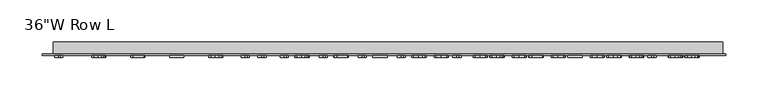
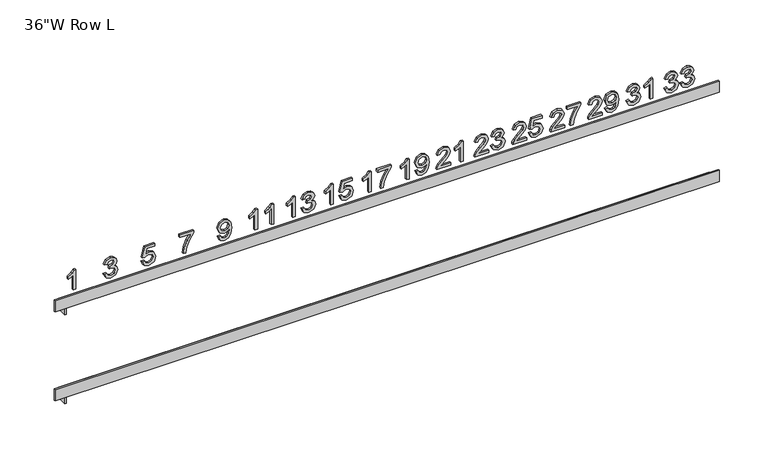
"""IFC4 building model written with IfcOpenShell, lengths in millimetres: furniture geometry."""

from ifc_helpers import new_model, si_unit, frame, origin, place, context, project, spatial, polyline, outline, extrude, faceted_brep, source, transform, mapped, element, save


def furniture_17d9b7be(model_context):
    return source(origin(), model_context, "Body", "SolidModel", [
        extrude(outline(polyline([(1616.7871417, 354.4129251), (1611.6104534, 356.9483187), (1609.610794, 362.5423814), (1611.9530742, 368.7157847), (1617.6592673, 371.1577363), (1621.8080932, 369.9367605), (1623.9884072, 366.4607171), (1626.100197, 369.0770938), (1629.0405061, 369.9616783), (1632.2580266, 369.0303728), (1634.6501425, 366.3392424), (1635.5253828, 362.4925457), (1633.7499843, 357.4217584), (1628.7477211, 354.8116111), (1628.3490351, 358.0010989), (1631.33918, 359.5646955), (1632.3358949, 362.6046761), (1631.3485242, 365.6072799), (1628.8536221, 366.7721905), (1626.0379023, 365.1649876), (1625.1595473, 361.0348501), (1621.9700594, 360.6797704), (1622.3189097, 362.9161495), (1621.013836, 366.5417002), (1617.7153325, 367.9682484), (1614.2143712, 366.5292412), (1612.8002819, 362.6545119), (1613.8281442, 359.3622378), (1617.1858277, 357.6024129), (1616.7871417, 354.4129251)])), frame((0.0, -18.25625, 0.0), z_axis=(0.0, 1.0, 0.0), x_axis=(0.0, 0.0, 1.0)), (0.0, 0.0, 1.0), 2.38125),
        extrude(outline(polyline([(1616.7871417, 373.9485382), (1611.6104534, 376.4839318), (1609.610794, 382.0779945), (1611.9530742, 388.2513977), (1617.6592673, 390.6933494), (1621.8080932, 389.4723735), (1623.9884072, 385.9963301), (1626.100197, 388.6127069), (1629.0405061, 389.4972914), (1632.2580266, 388.5659859), (1634.6501425, 385.8748555), (1635.5253828, 382.0281587), (1633.7499843, 376.9573714), (1628.7477211, 374.3472241), (1628.3490351, 377.536712), (1631.33918, 379.1003086), (1632.3358949, 382.1402892), (1631.3485242, 385.142893), (1628.8536221, 386.3078036), (1626.0379023, 384.7006007), (1625.1595473, 380.5704631), (1621.9700594, 380.2153834), (1622.3189097, 382.4517626), (1621.013836, 386.0773132), (1617.7153325, 387.5038615), (1614.2143712, 386.0648543), (1612.8002819, 382.1901249), (1613.8281442, 378.8978508), (1617.1858277, 377.138026), (1616.7871417, 373.9485382)])), frame((0.0, -18.25625, 0.0), z_axis=(0.0, 1.0, 0.0), x_axis=(0.0, 0.0, 1.0)), (0.0, 0.0, 1.0), 2.38125),
        extrude(outline(polyline([(1616.7871417, 308.3754251), (1611.6104534, 310.9108187), (1609.610794, 316.5048814), (1611.9530742, 322.6782847), (1617.6592673, 325.1202363), (1621.8080932, 323.8992605), (1623.9884072, 320.4232171), (1626.100197, 323.0395938), (1629.0405061, 323.9241783), (1632.2580266, 322.9928728), (1634.6501425, 320.3017424), (1635.5253828, 316.4550457), (1633.7499843, 311.3842584), (1628.7477211, 308.7741111), (1628.3490351, 311.9635989), (1631.33918, 313.5271955), (1632.3358949, 316.5671761), (1631.3485242, 319.5697799), (1628.8536221, 320.7346905), (1626.0379023, 319.1274876), (1625.1595473, 314.9973501), (1621.9700594, 314.6422704), (1622.3189097, 316.8786495), (1621.013836, 320.5042002), (1617.7153325, 321.9307484), (1614.2143712, 320.4917412), (1612.8002819, 316.6170119), (1613.8281442, 313.3247378), (1617.1858277, 311.5649129), (1616.7871417, 308.3754251)])), frame((0.0, -18.25625, 0.0), z_axis=(0.0, 1.0, 0.0), x_axis=(0.0, 0.0, 1.0)), (0.0, 0.0, 1.0), 2.38125),
        extrude(outline(polyline([(1610.00948, 339.8716176), (1635.5253828, 339.8716176), (1635.5253828, 337.815893), (1632.1303225, 334.9783701), (1629.1464071, 330.303154), (1626.1313444, 330.303154), (1627.7416619, 333.6608375), (1629.8939433, 336.6821297), (1610.00948, 336.6821297), (1610.00948, 339.8716176)])), frame((0.0, -18.25625, 0.0), z_axis=(0.0, 1.0, 0.0), x_axis=(0.0, 0.0, 1.0)), (0.0, 0.0, 1.0), 2.38125),
        extrude(outline(polyline([(1613.1989678, 278.6840503), (1613.1989678, 266.1565893), (1614.8217444, 267.5955965), (1617.8897576, 271.2647534), (1622.2597297, 275.8340685), (1625.3869229, 277.7184827), (1628.4113298, 278.2853643), (1633.4821171, 276.1829187), (1635.5253828, 270.4736109), (1633.6876896, 264.7829915), (1628.3490351, 262.3379251), (1627.9503491, 265.5274129), (1631.1709843, 266.8698634), (1632.3358949, 270.4050867), (1631.1429517, 273.7970323), (1628.2182163, 275.0958765), (1624.6051246, 273.719164), (1619.291388, 268.2123138), (1615.5941985, 264.2192246), (1612.2084824, 262.2818599), (1610.00948, 261.9392391), (1610.00948, 278.6840503), (1613.1989678, 278.6840503)])), frame((0.0, -18.25625, 0.0), z_axis=(0.0, 1.0, 0.0), x_axis=(0.0, 0.0, 1.0)), (0.0, 0.0, 1.0), 2.38125),
        extrude(outline(polyline([(1616.3884557, 282.2722241), (1611.3893073, 284.5584391), (1609.610794, 289.4610307), (1611.1183254, 294.3854255), (1615.5069859, 297.5531102), (1623.2533299, 298.6183494), (1630.3923008, 297.5499955), (1634.1922765, 294.4228023), (1635.5253828, 289.8784051), (1633.1893321, 284.1566383), (1627.0221583, 281.8735382), (1621.0480981, 284.0507374), (1618.7805716, 289.3800476), (1619.7087624, 292.8778942), (1621.5028493, 295.4475499), (1617.802545, 294.9865692), (1615.0304316, 293.9431333), (1613.407655, 292.1926526), (1612.8002819, 289.610538), (1613.7440463, 286.8944897), (1616.7871417, 285.461712), (1616.3884557, 282.2722241)]), holes=[polyline([(1627.096912, 295.4288615), (1623.3311983, 293.9867396), (1621.9700594, 290.3082384), (1623.3311983, 286.4771153), (1626.8664216, 285.063026), (1630.8127899, 286.5580984), (1632.3358949, 290.395451), (1630.9218056, 294.052149), (1627.096912, 295.4288615)])]), frame((0.0, -18.25625, 0.0), z_axis=(0.0, 1.0, 0.0), x_axis=(0.0, 0.0, 1.0)), (0.0, 0.0, 1.0), 2.38125),
        extrude(outline(polyline([(1613.1989678, 232.6465503), (1613.1989678, 220.1190893), (1614.8217444, 221.5580965), (1617.8897576, 225.2272534), (1622.2597297, 229.7965685), (1625.3869229, 231.6809827), (1628.4113298, 232.2478643), (1633.4821171, 230.1454187), (1635.5253828, 224.4361109), (1633.6876896, 218.7454915), (1628.3490351, 216.3004251), (1627.9503491, 219.4899129), (1631.1709843, 220.8323634), (1632.3358949, 224.3675867), (1631.1429517, 227.7595323), (1628.2182163, 229.0583765), (1624.6051246, 227.681664), (1619.291388, 222.1748138), (1615.5941985, 218.1817246), (1612.2084824, 216.2443599), (1610.00948, 215.9017391), (1610.00948, 232.6465503), (1613.1989678, 232.6465503)])), frame((0.0, -18.25625, 0.0), z_axis=(0.0, 1.0, 0.0), x_axis=(0.0, 0.0, 1.0)), (0.0, 0.0, 1.0), 2.38125),
        extrude(outline(polyline([(1631.9372089, 235.8360382), (1631.9372089, 249.3913615), (1625.3370871, 244.5697529), (1617.2045161, 241.0905948), (1610.00948, 239.822898), (1610.00948, 243.0123858), (1616.9428784, 244.1959848), (1625.6859374, 247.8308797), (1632.5476969, 252.5808494), (1635.1266968, 252.5808494), (1635.1266968, 235.8360382), (1631.9372089, 235.8360382)])), frame((0.0, -18.25625, 0.0), z_axis=(0.0, 1.0, 0.0), x_axis=(0.0, 0.0, 1.0)), (0.0, 0.0, 1.0), 2.38125),
        extrude(outline(polyline([(1613.1989678, 186.6090503), (1613.1989678, 174.0815893), (1614.8217444, 175.5205965), (1617.8897576, 179.1897534), (1622.2597297, 183.7590685), (1625.3869229, 185.6434827), (1628.4113298, 186.2103643), (1633.4821171, 184.1079187), (1635.5253828, 178.3986109), (1633.6876896, 172.7079915), (1628.3490351, 170.2629251), (1627.9503491, 173.4524129), (1631.1709843, 174.7948634), (1632.3358949, 178.3300867), (1631.1429517, 181.7220323), (1628.2182163, 183.0208765), (1624.6051246, 181.644164), (1619.291388, 176.1373138), (1615.5941985, 172.1442246), (1612.2084824, 170.2068599), (1610.00948, 169.8642391), (1610.00948, 186.6090503), (1613.1989678, 186.6090503)])), frame((0.0, -18.25625, 0.0), z_axis=(0.0, 1.0, 0.0), x_axis=(0.0, 0.0, 1.0)), (0.0, 0.0, 1.0), 2.38125),
        extrude(outline(polyline([(1616.7871417, 189.7985382), (1611.5761913, 192.2872108), (1609.610794, 197.9155355), (1612.669463, 204.54369), (1618.5874581, 206.5433494), (1624.4680763, 204.3225438), (1626.7542912, 198.8686442), (1624.9103685, 194.2027723), (1631.9372089, 195.5670259), (1631.9372089, 205.3472914), (1635.1266968, 205.3472914), (1635.1266968, 192.988026), (1621.9700594, 190.1972241), (1621.5713734, 193.386712), (1623.0103807, 195.1776842), (1623.5648034, 197.9778302), (1622.1756319, 202.0176405), (1618.3881151, 203.3538615), (1614.3296164, 201.9273132), (1612.8002819, 197.9279945), (1613.899783, 194.5952289), (1617.1858277, 192.988026), (1616.7871417, 189.7985382)])), frame((0.0, -18.25625, 0.0), z_axis=(0.0, 1.0, 0.0), x_axis=(0.0, 0.0, 1.0)), (0.0, 0.0, 1.0), 2.38125),
        extrude(outline(polyline([(1613.1989678, 140.5715503), (1613.1989678, 128.0440893), (1614.8217444, 129.4830965), (1617.8897576, 133.1522534), (1622.2597297, 137.7215685), (1625.3869229, 139.6059827), (1628.4113298, 140.1728643), (1633.4821171, 138.0704187), (1635.5253828, 132.3611109), (1633.6876896, 126.6704915), (1628.3490351, 124.2254251), (1627.9503491, 127.4149129), (1631.1709843, 128.7573634), (1632.3358949, 132.2925867), (1631.1429517, 135.6845323), (1628.2182163, 136.9833765), (1624.6051246, 135.606664), (1619.291388, 130.0998138), (1615.5941985, 126.1067246), (1612.2084824, 124.1693599), (1610.00948, 123.8267391), (1610.00948, 140.5715503), (1613.1989678, 140.5715503)])), frame((0.0, -18.25625, 0.0), z_axis=(0.0, 1.0, 0.0), x_axis=(0.0, 0.0, 1.0)), (0.0, 0.0, 1.0), 2.38125),
        extrude(outline(polyline([(1616.7871417, 143.7610382), (1611.6104534, 146.2964318), (1609.610794, 151.8904945), (1611.9530742, 158.0638977), (1617.6592673, 160.5058494), (1621.8080932, 159.2848735), (1623.9884072, 155.8088301), (1626.100197, 158.4252069), (1629.0405061, 159.3097914), (1632.2580266, 158.3784859), (1634.6501425, 155.6873555), (1635.5253828, 151.8406587), (1633.7499843, 146.7698714), (1628.7477211, 144.1597241), (1628.3490351, 147.349212), (1631.33918, 148.9128086), (1632.3358949, 151.9527892), (1631.3485242, 154.955393), (1628.8536221, 156.1203036), (1626.0379023, 154.5131007), (1625.1595473, 150.3829631), (1621.9700594, 150.0278834), (1622.3189097, 152.2642626), (1621.013836, 155.8898132), (1617.7153325, 157.3163615), (1614.2143712, 155.8773543), (1612.8002819, 152.0026249), (1613.8281442, 148.7103508), (1617.1858277, 146.950526), (1616.7871417, 143.7610382)])), frame((0.0, -18.25625, 0.0), z_axis=(0.0, 1.0, 0.0), x_axis=(0.0, 0.0, 1.0)), (0.0, 0.0, 1.0), 2.38125),
        extrude(outline(polyline([(1613.1989678, 94.5340503), (1613.1989678, 82.0065893), (1614.8217444, 83.4455965), (1617.8897576, 87.1147534), (1622.2597297, 91.6840685), (1625.3869229, 93.5684827), (1628.4113298, 94.1353643), (1633.4821171, 92.0329187), (1635.5253828, 86.3236109), (1633.6876896, 80.6329915), (1628.3490351, 78.1879251), (1627.9503491, 81.3774129), (1631.1709843, 82.7198634), (1632.3358949, 86.2550867), (1631.1429517, 89.6470323), (1628.2182163, 90.9458765), (1624.6051246, 89.569164), (1619.291388, 84.0623138), (1615.5941985, 80.0692246), (1612.2084824, 78.1318599), (1610.00948, 77.7892391), (1610.00948, 94.5340503), (1613.1989678, 94.5340503)])), frame((0.0, -18.25625, 0.0), z_axis=(0.0, 1.0, 0.0), x_axis=(0.0, 0.0, 1.0)), (0.0, 0.0, 1.0), 2.38125),
        extrude(outline(polyline([(1610.00948, 109.6841176), (1635.5253828, 109.6841176), (1635.5253828, 107.628393), (1632.1303225, 104.7908701), (1629.1464071, 100.115654), (1626.1313444, 100.115654), (1627.7416619, 103.4733375), (1629.8939433, 106.4946297), (1610.00948, 106.4946297), (1610.00948, 109.6841176)])), frame((0.0, -18.25625, 0.0), z_axis=(0.0, 1.0, 0.0), x_axis=(0.0, 0.0, 1.0)), (0.0, 0.0, 1.0), 2.38125),
        extrude(outline(polyline([(1610.00948, 44.1110045), (1635.5253828, 44.1110045), (1635.5253828, 42.0552799), (1632.1303225, 39.217757), (1629.1464071, 34.542541), (1626.1313444, 34.542541), (1627.7416619, 37.9002245), (1629.8939433, 40.9215167), (1610.00948, 40.9215167), (1610.00948, 44.1110045)])), frame((0.0, -18.25625, 0.0), z_axis=(0.0, 1.0, 0.0), x_axis=(0.0, 0.0, 1.0)), (0.0, 0.0, 1.0), 2.38125),
        extrude(outline(polyline([(1616.3884557, 52.0847241), (1611.3893073, 54.3709391), (1609.610794, 59.2735307), (1611.1183254, 64.1979255), (1615.5069859, 67.3656102), (1623.2533299, 68.4308494), (1630.3923008, 67.3624955), (1634.1922765, 64.2353023), (1635.5253828, 59.6909051), (1633.1893321, 53.9691383), (1627.0221583, 51.6860382), (1621.0480981, 53.8632374), (1618.7805716, 59.1925476), (1619.7087624, 62.6903942), (1621.5028493, 65.2600499), (1617.802545, 64.7990692), (1615.0304316, 63.7556333), (1613.407655, 62.0051526), (1612.8002819, 59.423038), (1613.7440463, 56.7069897), (1616.7871417, 55.274212), (1616.3884557, 52.0847241)]), holes=[polyline([(1627.096912, 65.2413615), (1623.3311983, 63.7992396), (1621.9700594, 60.1207384), (1623.3311983, 56.2896153), (1626.8664216, 54.875526), (1630.8127899, 56.3705984), (1632.3358949, 60.207951), (1630.9218056, 63.864649), (1627.096912, 65.2413615)])]), frame((0.0, -18.25625, 0.0), z_axis=(0.0, 1.0, 0.0), x_axis=(0.0, 0.0, 1.0)), (0.0, 0.0, 1.0), 2.38125),
        extrude(outline(polyline([(1610.00948, -1.9264955), (1635.5253828, -1.9264955), (1635.5253828, -3.9822201), (1632.1303225, -6.819743), (1629.1464071, -11.494959), (1626.1313444, -11.494959), (1627.7416619, -8.1372755), (1629.8939433, -5.1159833), (1610.00948, -5.1159833), (1610.00948, -1.9264955)])), frame((0.0, -18.25625, 0.0), z_axis=(0.0, 1.0, 0.0), x_axis=(0.0, 0.0, 1.0)), (0.0, 0.0, 1.0), 2.38125),
        extrude(outline(polyline([(1631.9372089, 5.6485382), (1631.9372089, 19.2038615), (1625.3370871, 14.3822529), (1617.2045161, 10.9030948), (1610.00948, 9.635398), (1610.00948, 12.8248858), (1616.9428784, 14.0084848), (1625.6859374, 17.6433797), (1632.5476969, 22.3933494), (1635.1266968, 22.3933494), (1635.1266968, 5.6485382), (1631.9372089, 5.6485382)])), frame((0.0, -18.25625, 0.0), z_axis=(0.0, 1.0, 0.0), x_axis=(0.0, 0.0, 1.0)), (0.0, 0.0, 1.0), 2.38125),
        extrude(outline(polyline([(1610.00948, -47.9639955), (1635.5253828, -47.9639955), (1635.5253828, -50.0197201), (1632.1303225, -52.857243), (1629.1464071, -57.532459), (1626.1313444, -57.532459), (1627.7416619, -54.1747755), (1629.8939433, -51.1534833), (1610.00948, -51.1534833), (1610.00948, -47.9639955)])), frame((0.0, -18.25625, 0.0), z_axis=(0.0, 1.0, 0.0), x_axis=(0.0, 0.0, 1.0)), (0.0, 0.0, 1.0), 2.38125),
        extrude(outline(polyline([(1616.7871417, -40.3889618), (1611.5761913, -37.9002892), (1609.610794, -32.2719645), (1612.669463, -25.64381), (1618.5874581, -23.6441506), (1624.4680763, -25.8649562), (1626.7542912, -31.3188558), (1624.9103685, -35.9847277), (1631.9372089, -34.6204741), (1631.9372089, -24.8402086), (1635.1266968, -24.8402086), (1635.1266968, -37.199474), (1621.9700594, -39.9902759), (1621.5713734, -36.800788), (1623.0103807, -35.0098158), (1623.5648034, -32.2096698), (1622.1756319, -28.1698595), (1618.3881151, -26.8336385), (1614.3296164, -28.2601868), (1612.8002819, -32.2595055), (1613.899783, -35.5922711), (1617.1858277, -37.199474), (1616.7871417, -40.3889618)])), frame((0.0, -18.25625, 0.0), z_axis=(0.0, 1.0, 0.0), x_axis=(0.0, 0.0, 1.0)), (0.0, 0.0, 1.0), 2.38125),
        extrude(outline(polyline([(1610.00948, -94.0014955), (1635.5253828, -94.0014955), (1635.5253828, -96.0572201), (1632.1303225, -98.894743), (1629.1464071, -103.569959), (1626.1313444, -103.569959), (1627.7416619, -100.2122755), (1629.8939433, -97.1909833), (1610.00948, -97.1909833), (1610.00948, -94.0014955)])), frame((0.0, -18.25625, 0.0), z_axis=(0.0, 1.0, 0.0), x_axis=(0.0, 0.0, 1.0)), (0.0, 0.0, 1.0), 2.38125),
        extrude(outline(polyline([(1616.7871417, -86.4264618), (1611.6104534, -83.8910682), (1609.610794, -78.2970055), (1611.9530742, -72.1236023), (1617.6592673, -69.6816506), (1621.8080932, -70.9026265), (1623.9884072, -74.3786699), (1626.100197, -71.7622931), (1629.0405061, -70.8777086), (1632.2580266, -71.8090141), (1634.6501425, -74.5001445), (1635.5253828, -78.3468413), (1633.7499843, -83.4176286), (1628.7477211, -86.0277759), (1628.3490351, -82.838288), (1631.33918, -81.2746914), (1632.3358949, -78.2347108), (1631.3485242, -75.232107), (1628.8536221, -74.0671964), (1626.0379023, -75.6743993), (1625.1595473, -79.8045369), (1621.9700594, -80.1596166), (1622.3189097, -77.9232374), (1621.013836, -74.2976868), (1617.7153325, -72.8711385), (1614.2143712, -74.3101457), (1612.8002819, -78.1848751), (1613.8281442, -81.4771492), (1617.1858277, -83.236974), (1616.7871417, -86.4264618)])), frame((0.0, -18.25625, 0.0), z_axis=(0.0, 1.0, 0.0), x_axis=(0.0, 0.0, 1.0)), (0.0, 0.0, 1.0), 2.38125),
        extrude(outline(polyline([(1610.00948, -140.0389955), (1635.5253828, -140.0389955), (1635.5253828, -142.0947201), (1632.1303225, -144.932243), (1629.1464071, -149.607459), (1626.1313444, -149.607459), (1627.7416619, -146.2497755), (1629.8939433, -143.2284833), (1610.00948, -143.2284833), (1610.00948, -140.0389955)])), frame((0.0, -18.25625, 0.0), z_axis=(0.0, 1.0, 0.0), x_axis=(0.0, 0.0, 1.0)), (0.0, 0.0, 1.0), 2.38125),
        extrude(outline(polyline([(1610.00948, -120.5033824), (1635.5253828, -120.5033824), (1635.5253828, -122.559107), (1632.1303225, -125.3966299), (1629.1464071, -130.071846), (1626.1313444, -130.071846), (1627.7416619, -126.7141625), (1629.8939433, -123.6928703), (1610.00948, -123.6928703), (1610.00948, -120.5033824)])), frame((0.0, -18.25625, 0.0), z_axis=(0.0, 1.0, 0.0), x_axis=(0.0, 0.0, 1.0)), (0.0, 0.0, 1.0), 2.38125),
        extrude(outline(polyline([(1616.3884557, -187.8705824), (1611.3893073, -185.5843675), (1609.610794, -180.6817758), (1611.1183254, -175.757381), (1615.5069859, -172.5896963), (1623.2533299, -171.5244572), (1630.3923008, -172.592811), (1634.1922765, -175.7200042), (1635.5253828, -180.2644014), (1633.1893321, -185.9861682), (1627.0221583, -188.2692684), (1621.0480981, -186.0920692), (1618.7805716, -180.7627589), (1619.7087624, -177.2649124), (1621.5028493, -174.6952566), (1617.802545, -175.1562373), (1615.0304316, -176.1996733), (1613.407655, -177.9501539), (1612.8002819, -180.5322686), (1613.7440463, -183.2483168), (1616.7871417, -184.6810946), (1616.3884557, -187.8705824)]), holes=[polyline([(1627.096912, -174.713945), (1623.3311983, -176.156067), (1621.9700594, -179.8345681), (1623.3311983, -183.6656912), (1626.8664216, -185.0797805), (1630.8127899, -183.5847081), (1632.3358949, -179.7473555), (1630.9218056, -176.0906576), (1627.096912, -174.713945)])]), frame((0.0, -18.25625, 0.0), z_axis=(0.0, 1.0, 0.0), x_axis=(0.0, 0.0, 1.0)), (0.0, 0.0, 1.0), 2.38125),
        extrude(outline(polyline([(1631.9372089, -234.3067684), (1631.9372089, -220.751445), (1625.3370871, -225.5730536), (1617.2045161, -229.0522117), (1610.00948, -230.3199086), (1610.00948, -227.1304207), (1616.9428784, -225.9468217), (1625.6859374, -222.3119269), (1632.5476969, -217.5619572), (1635.1266968, -217.5619572), (1635.1266968, -234.3067684), (1631.9372089, -234.3067684)])), frame((0.0, -18.25625, 0.0), z_axis=(0.0, 1.0, 0.0), x_axis=(0.0, 0.0, 1.0)), (0.0, 0.0, 1.0), 2.38125),
        extrude(outline(polyline([(1616.7871417, -280.3442684), (1611.5761913, -277.8555957), (1609.610794, -272.227271), (1612.669463, -265.5991166), (1618.5874581, -263.5994572), (1624.4680763, -265.8202627), (1626.7542912, -271.2741623), (1624.9103685, -275.9400342), (1631.9372089, -274.5757806), (1631.9372089, -264.7955151), (1635.1266968, -264.7955151), (1635.1266968, -277.1547805), (1621.9700594, -279.9455824), (1621.5713734, -276.7560946), (1623.0103807, -274.9651224), (1623.5648034, -272.1649763), (1622.1756319, -268.125166), (1618.3881151, -266.788945), (1614.3296164, -268.2154933), (1612.8002819, -272.214812), (1613.899783, -275.5475777), (1617.1858277, -277.1547805), (1616.7871417, -280.3442684)])), frame((0.0, -18.25625, 0.0), z_axis=(0.0, 1.0, 0.0), x_axis=(0.0, 0.0, 1.0)), (0.0, 0.0, 1.0), 2.38125),
        extrude(outline(polyline([(1616.7871417, -326.3817684), (1611.6104534, -323.8463747), (1609.610794, -318.252312), (1611.9530742, -312.0789088), (1617.6592673, -309.6369572), (1621.8080932, -310.857933), (1623.9884072, -314.3339764), (1626.100197, -311.7175996), (1629.0405061, -310.8330151), (1632.2580266, -311.7643207), (1634.6501425, -314.455451), (1635.5253828, -318.3021478), (1633.7499843, -323.3729351), (1628.7477211, -325.9830824), (1628.3490351, -322.7935946), (1631.33918, -321.229998), (1632.3358949, -318.1900174), (1631.3485242, -315.1874136), (1628.8536221, -314.022503), (1626.0379023, -315.6297058), (1625.1595473, -319.7598434), (1621.9700594, -320.1149231), (1622.3189097, -317.8785439), (1621.013836, -314.2529933), (1617.7153325, -312.826445), (1614.2143712, -314.2654522), (1612.8002819, -318.1401816), (1613.8281442, -321.4324557), (1617.1858277, -323.1922805), (1616.7871417, -326.3817684)])), frame((0.0, -18.25625, 0.0), z_axis=(0.0, 1.0, 0.0), x_axis=(0.0, 0.0, 1.0)), (0.0, 0.0, 1.0), 2.38125),
        extrude(outline(polyline([(1610.00948, -360.5338981), (1635.0187108, -360.5338981), (1635.0187108, -362.5488019), (1631.6910665, -365.3299798), (1628.7664031, -369.9123596), (1625.8112108, -369.9123596), (1627.3895521, -366.62135), (1629.4990954, -363.6600519), (1610.00948, -363.6600519), (1610.00948, -360.5338981)])), frame((0.0, -18.25625, 0.0), z_axis=(0.0, 1.0, 0.0), x_axis=(0.0, 0.0, 1.0)), (0.0, 0.0, 1.0), 2.38125),
        faceted_brep([(-371.7873583, -13.9699322, 1463.9142362), (-369.8823681, -13.9699322, 1463.9142362), (-369.8823681, -13.9699322, 1473.2057203), (-371.7873583, -13.9699322, 1473.2057203), (-371.7873583, 0.0, 1463.9142362), (-371.7873583, 0.0, 1476.6147994), (418.7822789, 0.0, 1476.6147994), (418.7822789, 0.0, 1473.2057203), (-369.8823681, 0.0, 1473.2057203), (-369.8823681, 0.0, 1463.9142362), (418.7822789, -13.9699322, 1473.2057203), (421.9627049, -13.9699322, 1473.2057203), (421.9627049, -15.875, 1473.2057203), (-384.4872951, -15.875, 1473.2057203), (-384.4872951, -13.9699322, 1473.2057203), (418.7822789, -13.9699322, 1476.6147994), (-371.7873583, -13.9699322, 1476.6147994), (-384.4872951, -15.875, 1487.4296432), (-384.4872951, -13.9699322, 1487.4296432), (421.9627049, -15.875, 1487.4296432), (421.9627049, -13.9699322, 1487.4296432)], [[[0, 1, 2, 3]], [[4, 5, 6, 7, 8, 9]], [[1, 0, 4, 9]], [[2, 1, 9, 8]], [[8, 7, 10, 11, 12, 13, 14, 3, 2]], [[7, 6, 15, 10]], [[6, 5, 16, 15]], [[5, 4, 0, 3, 16]], [[17, 18, 14, 13]], [[19, 12, 11, 20]], [[18, 17, 19, 20]], [[14, 18, 20, 11, 10, 15, 16, 3]], [[17, 13, 12, 19]]]),
        faceted_brep([(-371.7873583, -13.9699322, 1578.2341967), (-369.8823681, -13.9699322, 1578.2341967), (-369.8823681, -13.9699322, 1587.5051503), (-371.7873583, -13.9699322, 1587.5051503), (-371.7873583, 0.0, 1578.2341967), (-371.7873583, 0.0, 1590.9341334), (418.7822789, 0.0, 1590.9341334), (418.7822789, 0.0, 1587.5051503), (-369.8823681, 0.0, 1587.5051503), (-369.8823681, 0.0, 1578.2341967), (418.7822789, -13.9699322, 1587.5051503), (421.9627049, -13.9699322, 1587.5051503), (421.9627049, -15.875, 1587.5051503), (-384.4872951, -15.875, 1587.5051503), (-384.4872951, -13.9699322, 1587.5051503), (418.7822789, -13.9699322, 1590.9341334), (-371.7873583, -13.9699322, 1590.9341334), (-384.4872951, -15.875, 1601.72908), (-384.4872951, -13.9699322, 1601.72908), (421.9627049, -13.9699322, 1601.72908), (421.9627049, -15.875, 1601.72908)], [[[0, 1, 2, 3]], [[4, 5, 6, 7, 8, 9]], [[1, 0, 4, 9]], [[2, 1, 9, 8]], [[8, 7, 10, 11, 12, 13, 14, 3, 2]], [[7, 6, 15, 10]], [[6, 5, 16, 15]], [[5, 4, 0, 3, 16]], [[14, 13, 17, 18]], [[11, 19, 20, 12]], [[17, 13, 12, 20]], [[18, 17, 20, 19]], [[14, 18, 19, 11, 10, 15, 16, 3]]]),
    ])


if __name__ == "__main__":
    model = new_model("IFC4")
    model_context = context("Model", 3, world=origin())
    ifc_project = project(units=[si_unit("LENGTHUNIT", "METRE", prefix="MILLI")], contexts=[model_context])
    site = spatial("IfcSite", under=ifc_project)
    building = spatial("IfcBuilding", under=site)
    placement = place(None, origin())
    furniture_shape = furniture_17d9b7be(model_context)
    element("IfcFurniture", 1, ObjectType="36\"W Row L", at=placement, inside=building, context=model_context, shape_type="MappedRepresentation", body=[
        mapped(furniture_shape, transform((0.0, 0.0, 0.0), x_axis=(1.0, 0.0, 0.0), y_axis=(0.0, 1.0, 0.0), z_axis=(0.0, 0.0, 1.0))),
    ])
    save(model, "model.ifc")
